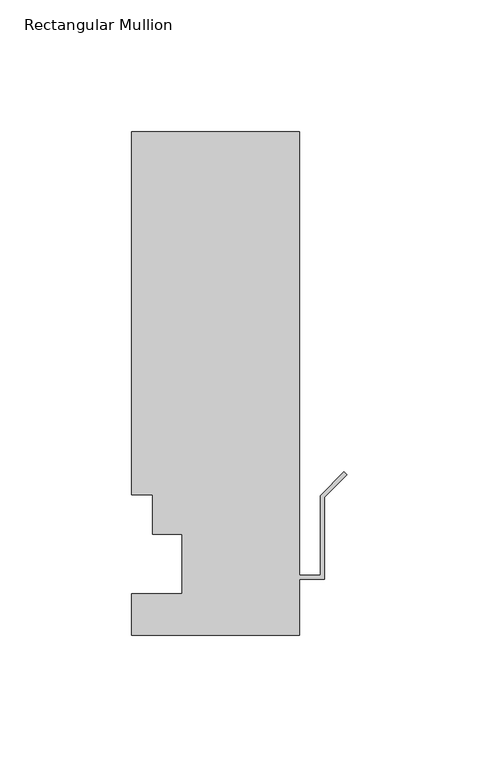
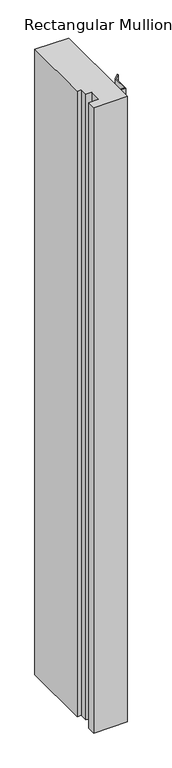
"""IFC4 building model written with IfcOpenShell, lengths in millimetres: member geometry, Rectangular Mullion."""

from ifc_helpers import new_model, si_unit, frame, origin, place, context, project, spatial, polyline, outline, extrude, source, transform, mapped, element, save


def rectangular_mullion_9c2dc849(model_context):
    return source(origin(), model_context, "Body", "SweptSolid", [
        extrude(outline(polyline([(-81.5440079, 53.0629813), (-81.5440079, 190.4007813), (-18.0440079, 190.4007813), (-18.0440079, 22.4813813), (-10.0938079, 22.4813813), (-10.0938079, 52.6565813), (-1.1135518, 61.6368374), (0.0, 60.5232856), (-8.5190079, 52.0042777), (-8.5190079, 20.9065813), (-18.0440079, 20.9065813), (-18.0440079, -0.3278188), (-81.5440079, -0.3278188), (-81.5440079, 15.5217812), (-62.4940079, 15.5217812), (-62.4940079, 38.0007812), (-73.6192079, 38.0007812), (-73.6192079, 53.0629813), (-81.5440079, 53.0629813)])), frame((0.0, 0.0, -1242.1071763), z_axis=(0.0, 0.0, 1.0), x_axis=(1.0, 0.0, 0.0)), (0.0, 0.0, 1.0), 1242.1071763),
    ])


if __name__ == "__main__":
    model = new_model("IFC4")
    model_context = context("Model", 3, world=origin())
    ifc_project = project(units=[si_unit("LENGTHUNIT", "METRE", prefix="MILLI")], contexts=[model_context])
    site = spatial("IfcSite", under=ifc_project)
    building = spatial("IfcBuilding", under=site)
    placement = place(None, origin())
    rectangular_mullion_shape = rectangular_mullion_9c2dc849(model_context)
    element("IfcMember", 1, ObjectType="Rectangular Mullion", at=placement, inside=building, context=model_context, shape_type="MappedRepresentation", body=[
        mapped(rectangular_mullion_shape, transform((0.0, 0.0, 0.0), x_axis=(1.0, 0.0, 0.0), y_axis=(0.0, 1.0, 0.0), z_axis=(0.0, 0.0, 1.0))),
    ])
    save(model, "model.ifc")
